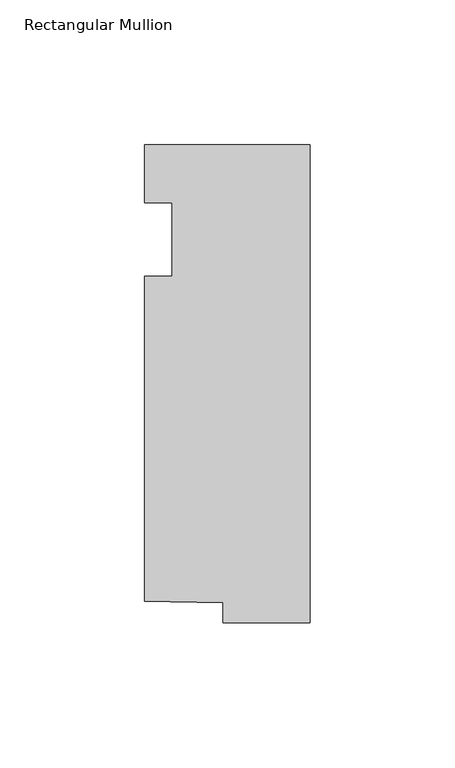
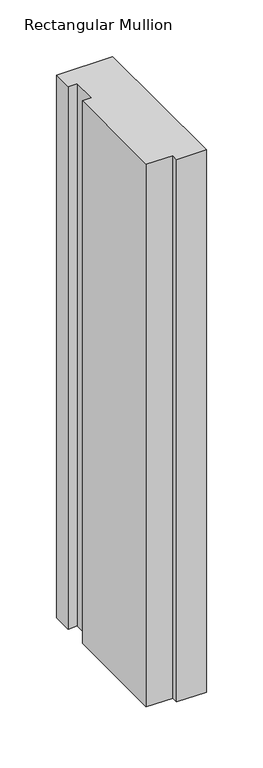
"""IFC4 building model written with IfcOpenShell, lengths in millimetres: member geometry, Rectangular Mullion."""

from ifc_helpers import new_model, si_unit, frame, origin, place, context, project, spatial, polyline, outline, extrude, source, transform, mapped, element, save


def rectangular_mullion_86df3d7f(model_context):
    return source(origin(), model_context, "Body", "SweptSolid", [
        extrude(outline(polyline([(-57.15, 20.0421875), (0.0, 20.0421875), (0.0, -145.0578125), (-30.1058007, -145.0578125), (-30.1058007, -138.1500349), (-57.15, -137.6601403), (-57.15, -25.4), (-47.625, -25.4), (-47.625, 0.0), (-57.15, 0.0), (-57.15, 20.0421875)])), frame((0.0, 0.0, -584.2), z_axis=(0.0, 0.0, 1.0), x_axis=(1.0, 0.0, 0.0)), (0.0, 0.0, 1.0), 584.2),
    ])


if __name__ == "__main__":
    model = new_model("IFC4")
    model_context = context("Model", 3, world=origin())
    ifc_project = project(units=[si_unit("LENGTHUNIT", "METRE", prefix="MILLI")], contexts=[model_context])
    site = spatial("IfcSite", under=ifc_project)
    building = spatial("IfcBuilding", under=site)
    placement = place(None, origin())
    rectangular_mullion_shape = rectangular_mullion_86df3d7f(model_context)
    element("IfcMember", 1, ObjectType="Rectangular Mullion", at=placement, inside=building, context=model_context, shape_type="MappedRepresentation", body=[
        mapped(rectangular_mullion_shape, transform((0.0, 0.0, 0.0), x_axis=(1.0, 0.0, 0.0), y_axis=(0.0, 1.0, 0.0), z_axis=(0.0, 0.0, 1.0))),
    ])
    save(model, "model.ifc")
